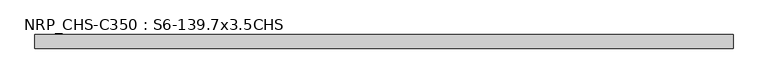
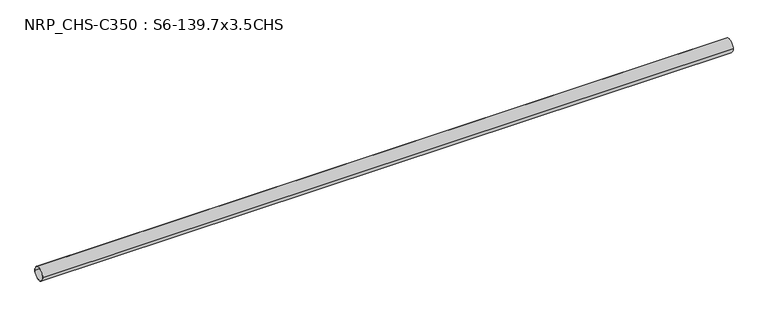
"""IFC4 building model written with IfcOpenShell, lengths in millimetres: beam geometry, NRP_CHS-C350 : S6-139.7x3.5CHS."""

from ifc_helpers import new_model, si_unit, point, frame, origin, origin_2d, place, context, project, spatial, circle_curve, trimmed, segment, composite_curve, outline, extrude, source, transform, mapped, element, save


def nrp_chs_c350_s6_139_7x3_5chs_67e60d30(model_context):
    return source(origin(), model_context, "Body", "SweptSolid", [
        extrude(outline(composite_curve([segment(trimmed(circle_curve(origin_2d(), 69.85), [point((-69.85, 0.0))], [point((69.85, 0.0))], False, "CARTESIAN"), True, "CONTINUOUS"), segment(trimmed(circle_curve(origin_2d(), 69.85), [point((69.85, 0.0))], [point((-69.85, 0.0))], False, "CARTESIAN"), True, "CONTINUOUS")], self_intersect=False), holes=[composite_curve([segment(trimmed(circle_curve(origin_2d(), 66.35), [point((66.35, 0.0))], [point((-66.35, 0.0))], True, "CARTESIAN"), True, "CONTINUOUS"), segment(trimmed(circle_curve(origin_2d(), 66.35), [point((-66.35, 0.0))], [point((66.35, 0.0))], True, "CARTESIAN"), True, "CONTINUOUS")], self_intersect=False)]), frame((-3604.05, 0.0, 0.0), z_axis=(1.0, 0.0, 0.0), x_axis=(0.0, 1.0, 0.0)), (0.0, 0.0, 1.0), 7169.2),
    ])


if __name__ == "__main__":
    model = new_model("IFC4")
    model_context = context("Model", 3, world=origin())
    ifc_project = project(units=[si_unit("LENGTHUNIT", "METRE", prefix="MILLI")], contexts=[model_context])
    site = spatial("IfcSite", under=ifc_project)
    building = spatial("IfcBuilding", under=site)
    placement = place(None, origin())
    nrp_chs_c350_s6_139_7x3_5chs_shape = nrp_chs_c350_s6_139_7x3_5chs_67e60d30(model_context)
    element("IfcBeam", 1, ObjectType="NRP_CHS-C350 : S6-139.7x3.5CHS", at=placement, inside=building, context=model_context, shape_type="MappedRepresentation", body=[
        mapped(nrp_chs_c350_s6_139_7x3_5chs_shape, transform((0.0, 0.0, 0.0), x_axis=(1.0, 0.0, 0.0), y_axis=(0.0, 1.0, 0.0), z_axis=(0.0, 0.0, 1.0))),
    ])
    save(model, "model.ifc")
